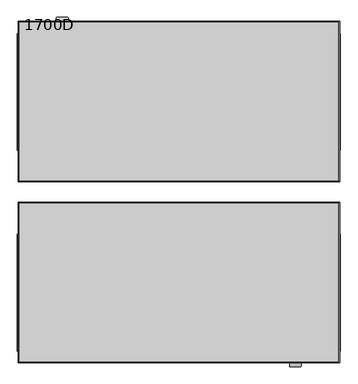
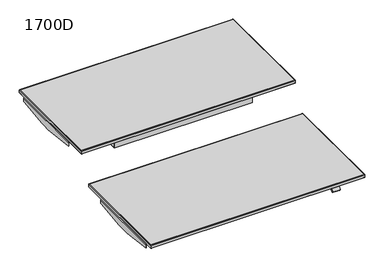
"""IFC4 building model written with IfcOpenShell, lengths in millimetres: furniture geometry, 1700D."""

from ifc_helpers import new_model, si_unit, frame, origin, place, context, project, spatial, polyline, circle_curve, ellipse_curve, outline, extrude, faceted_brep, source, transform, mapped, element, save
from ifc_brep_helpers import plane_surface, cylinder_surface, revolved_surface, advanced_brep


def furniture_1700d_6d03fefe(model_context):
    return source(origin(), model_context, "Body", "SolidModel", [
        advanced_brep(
        [(800.0009304, 50.0, 962.0613719), (800.0009304, 850.0, 962.0613719), (796.9557784, 846.954848, 964.998648), (796.9557784, 53.045152, 964.998648), (800.0009304, 50.0, 942.9891625), (800.0009304, 850.0, 942.9891625), (796.9557784, 53.045152, 940.0005151), (796.9557784, 846.954848, 940.0005151), (-800.0009304, 850.0, 962.0613719), (-796.9557784, 846.954848, 964.998648), (-800.0009304, 850.0, 942.9891625), (-796.9557784, 846.954848, 940.0005151), (-800.0009304, 50.0, 962.0613719), (-796.9557784, 53.045152, 964.998648), (-800.0009304, 50.0, 942.9891625), (-796.9557784, 53.045152, 940.0005151)],
        [
            (0, 1),
            (1, 2, ellipse_curve(frame((797.0617436, 847.0608132, 962.0613719), z_axis=(0.7071067811865475, -0.7071067811865475, 0.0), x_axis=(-0.7071067811865474, -0.7071067811865476, 0.0)), 4.1566379, 2.9391868)),
            (2, 3),
            (3, 0, ellipse_curve(frame((797.0617436, 52.9391868, 962.0613719), z_axis=(0.7071067811865475, 0.7071067811865475, 0.0), x_axis=(0.7071067811865474, -0.7071067811865476, 0.0)), 4.1566379, 2.9391868)),
            (4, 5),
            (5, 1),
            (0, 4),
            (6, 7),
            (7, 5, ellipse_curve(frame((797.0117587, 847.0108283, 942.9891625), z_axis=(0.7071067811865475, -0.7071067811865475, 0.0), x_axis=(-0.7071067811865474, -0.7071067811865476, 0.0)), 4.2273271, 2.9891717)),
            (4, 6, ellipse_curve(frame((797.0117587, 52.9891717, 942.9891625), z_axis=(0.7071067811865475, 0.7071067811865475, 0.0), x_axis=(0.7071067811865474, -0.7071067811865476, 0.0)), 4.2273271, 2.9891717)),
            (2, 7),
            (6, 3),
            (1, 8),
            (8, 9, ellipse_curve(frame((-797.0617436, 847.0608132, 962.0613719), z_axis=(0.7071067811865475, 0.7071067811865475, 0.0), x_axis=(0.7071067811865476, -0.7071067811865474, 0.0)), 4.1566379, 2.9391868)),
            (9, 2),
            (5, 10),
            (10, 8),
            (7, 11),
            (11, 10, ellipse_curve(frame((-797.0117587, 847.0108283, 942.9891625), z_axis=(0.7071067811865475, 0.7071067811865475, 0.0), x_axis=(0.7071067811865476, -0.7071067811865474, 0.0)), 4.2273271, 2.9891717)),
            (9, 11),
            (8, 12),
            (12, 13, ellipse_curve(frame((-797.0617436, 52.9391868, 962.0613719), z_axis=(-0.7071067811865475, 0.7071067811865475, 0.0), x_axis=(0.7071067811865474, 0.7071067811865476, 0.0)), 4.1566379, 2.9391868)),
            (13, 9),
            (10, 14),
            (14, 12),
            (11, 15),
            (15, 14, ellipse_curve(frame((-797.0117587, 52.9891717, 942.9891625), z_axis=(-0.7071067811865475, 0.7071067811865475, 0.0), x_axis=(0.7071067811865474, 0.7071067811865476, 0.0)), 4.2273271, 2.9891717)),
            (13, 15),
            (12, 0),
            (3, 13),
            (14, 4),
            (15, 6),
        ],
        [
            cylinder_surface(frame((797.0617436, 53.045152, 962.0613719), z_axis=(0.0, -1.0, 0.0), x_axis=(1.0, 0.0, 0.0)), 2.9391868),
            plane_surface(frame((800.0009304, 50.0, 962.0613719), z_axis=(1.0, 0.0, 0.0), x_axis=(0.0, 1.0, 0.0))),
            cylinder_surface(frame((797.0117587, 53.045152, 942.9891625), z_axis=(0.0, -1.0, 0.0), x_axis=(1.0, 0.0, 0.0)), 2.9891717),
            plane_surface(frame((796.9557784, 53.045152, 940.0005151), z_axis=(-1.0, 0.0, 0.0), x_axis=(0.0, 1.0, 0.0))),
            cylinder_surface(frame((796.9557784, 847.0608132, 962.0613719), z_axis=(1.0, 0.0, 0.0), x_axis=(0.0, 1.0, 0.0)), 2.9391868),
            plane_surface(frame((800.0009304, 850.0, 962.0613719), z_axis=(0.0, 1.0, 0.0), x_axis=(-1.0, 0.0, 0.0))),
            cylinder_surface(frame((796.9557784, 847.0108283, 942.9891625), z_axis=(1.0, 0.0, 0.0), x_axis=(0.0, 1.0, 0.0)), 2.9891717),
            plane_surface(frame((796.9557784, 846.954848, 940.0005151), z_axis=(0.0, -1.0, 0.0), x_axis=(-1.0, 0.0, 0.0))),
            cylinder_surface(frame((-797.0617436, 846.954848, 962.0613719), z_axis=(0.0, 1.0, 0.0), x_axis=(-1.0, 0.0, 0.0)), 2.9391868),
            plane_surface(frame((-800.0009304, 850.0, 962.0613719), z_axis=(-1.0, 0.0, 0.0), x_axis=(0.0, -1.0, 0.0))),
            cylinder_surface(frame((-797.0117587, 846.954848, 942.9891625), z_axis=(0.0, 1.0, 0.0), x_axis=(-1.0, 0.0, 0.0)), 2.9891717),
            plane_surface(frame((-796.9557784, 846.954848, 940.0005151), z_axis=(1.0, 0.0, 0.0), x_axis=(0.0, -1.0, 0.0))),
            cylinder_surface(frame((-796.9557784, 52.9391868, 962.0613719), z_axis=(-1.0, 0.0, 0.0), x_axis=(0.0, -1.0, 0.0)), 2.9391868),
            plane_surface(frame((-800.0009304, 50.0, 962.0613719), z_axis=(0.0, -1.0, 0.0), x_axis=(1.0, 0.0, 0.0))),
            cylinder_surface(frame((-796.9557784, 52.9891717, 942.9891625), z_axis=(-1.0, 0.0, 0.0), x_axis=(0.0, -1.0, 0.0)), 2.9891717),
            plane_surface(frame((-796.9557784, 53.045152, 940.0005151), z_axis=(0.0, 1.0, 0.0), x_axis=(1.0, 0.0, 0.0))),
        ],
        [
            (0, [[1, 2, 3, 4]]),
            (1, [[5, 6, -1, 7]]),
            (2, [[8, 9, -5, 10]]),
            (3, [[-3, 11, -8, 12]]),
            (4, [[13, 14, 15, -2]]),
            (5, [[16, 17, -13, -6]]),
            (6, [[18, 19, -16, -9]]),
            (7, [[-15, 20, -18, -11]]),
            (8, [[21, 22, 23, -14]]),
            (9, [[24, 25, -21, -17]]),
            (10, [[26, 27, -24, -19]]),
            (11, [[-23, 28, -26, -20]]),
            (12, [[29, -4, 30, -22]]),
            (13, [[31, -7, -29, -25]]),
            (14, [[32, -10, -31, -27]]),
            (15, [[-30, -12, -32, -28]]),
        ],
    ),
        extrude(outline(polyline([(-796.9557784, 53.045152), (-796.9557784, 846.954848), (796.9557784, 846.954848), (796.9557784, 53.045152), (-796.9557784, 53.045152)])), frame((0.0, 0.0, 940.0), z_axis=(0.0, 0.0, 1.0), x_axis=(1.0, 0.0, 0.0)), (0.0, 0.0, 1.0), 25.0),
        advanced_brep(
        [(800.0009304, -50.0, 762.0613719), (796.9557784, -53.045152, 764.998648), (796.9557784, -846.954848, 764.998648), (800.0009304, -850.0, 762.0613719), (800.0009304, -50.0, 742.9891625), (800.0009304, -850.0, 742.9891625), (796.9557784, -53.045152, 740.0005151), (796.9557784, -846.954848, 740.0005151), (-796.9557784, -846.954848, 764.998648), (-800.0009304, -850.0, 762.0613719), (-800.0009304, -850.0, 742.9891625), (-796.9557784, -846.954848, 740.0005151), (-796.9557784, -53.045152, 764.998648), (-800.0009304, -50.0, 762.0613719), (-800.0009304, -50.0, 742.9891625), (-796.9557784, -53.045152, 740.0005151)],
        [
            (0, 1, ellipse_curve(frame((797.0617436, -52.9391868, 762.0613719), z_axis=(0.7071067811865475, -0.7071067811865475, 0.0), x_axis=(0.7071067811865474, 0.7071067811865476, 0.0)), 4.1566379, 2.9391868)),
            (1, 2),
            (2, 3, ellipse_curve(frame((797.0617436, -847.0608132, 762.0613719), z_axis=(0.7071067811865475, 0.7071067811865475, 0.0), x_axis=(-0.7071067811865474, 0.7071067811865476, 0.0)), 4.1566379, 2.9391868)),
            (3, 0),
            (4, 0),
            (3, 5),
            (5, 4),
            (6, 4, ellipse_curve(frame((797.0117587, -52.9891717, 742.9891625), z_axis=(0.7071067811865475, -0.7071067811865475, 0.0), x_axis=(0.7071067811865474, 0.7071067811865476, 0.0)), 4.2273271, 2.9891717)),
            (5, 7, ellipse_curve(frame((797.0117587, -847.0108283, 742.9891625), z_axis=(0.7071067811865475, 0.7071067811865475, 0.0), x_axis=(-0.7071067811865474, 0.7071067811865476, 0.0)), 4.2273271, 2.9891717)),
            (7, 6),
            (1, 6),
            (7, 2),
            (2, 8),
            (8, 9, ellipse_curve(frame((-797.0617436, -847.0608132, 762.0613719), z_axis=(0.7071067811865475, -0.7071067811865475, 0.0), x_axis=(0.7071067811865476, 0.7071067811865474, 0.0)), 4.1566379, 2.9391868)),
            (9, 3),
            (9, 10),
            (10, 5),
            (10, 11, ellipse_curve(frame((-797.0117587, -847.0108283, 742.9891625), z_axis=(0.7071067811865475, -0.7071067811865475, 0.0), x_axis=(0.7071067811865476, 0.7071067811865474, 0.0)), 4.2273271, 2.9891717)),
            (11, 7),
            (11, 8),
            (8, 12),
            (12, 13, ellipse_curve(frame((-797.0617436, -52.9391868, 762.0613719), z_axis=(-0.7071067811865475, -0.7071067811865475, 0.0), x_axis=(0.7071067811865474, -0.7071067811865476, 0.0)), 4.1566379, 2.9391868)),
            (13, 9),
            (13, 14),
            (14, 10),
            (14, 15, ellipse_curve(frame((-797.0117587, -52.9891717, 742.9891625), z_axis=(-0.7071067811865475, -0.7071067811865475, 0.0), x_axis=(0.7071067811865474, -0.7071067811865476, 0.0)), 4.2273271, 2.9891717)),
            (15, 11),
            (15, 12),
            (12, 1),
            (0, 13),
            (4, 14),
            (6, 15),
        ],
        [
            cylinder_surface(frame((797.0617436, -53.045152, 762.0613719), z_axis=(0.0, 1.0, 0.0), x_axis=(1.0, 0.0, 0.0)), 2.9391868),
            plane_surface(frame((800.0009304, -50.0, 762.0613719), z_axis=(1.0, 0.0, 0.0), x_axis=(0.0, -1.0, 0.0))),
            cylinder_surface(frame((797.0117587, -53.045152, 742.9891625), z_axis=(0.0, 1.0, 0.0), x_axis=(1.0, 0.0, 0.0)), 2.9891717),
            plane_surface(frame((796.9557784, -53.045152, 740.0005151), z_axis=(-1.0, 0.0, 0.0), x_axis=(0.0, -1.0, 0.0))),
            cylinder_surface(frame((796.9557784, -847.0608132, 762.0613719), z_axis=(1.0, 0.0, 0.0), x_axis=(0.0, -1.0, 0.0)), 2.9391868),
            plane_surface(frame((800.0009304, -850.0, 762.0613719), z_axis=(0.0, -1.0, 0.0), x_axis=(-1.0, 0.0, 0.0))),
            cylinder_surface(frame((796.9557784, -847.0108283, 742.9891625), z_axis=(1.0, 0.0, 0.0), x_axis=(0.0, -1.0, 0.0)), 2.9891717),
            plane_surface(frame((796.9557784, -846.954848, 740.0005151), z_axis=(0.0, 1.0, 0.0), x_axis=(-1.0, 0.0, 0.0))),
            cylinder_surface(frame((-797.0617436, -846.954848, 762.0613719), z_axis=(0.0, -1.0, 0.0), x_axis=(-1.0, 0.0, 0.0)), 2.9391868),
            plane_surface(frame((-800.0009304, -850.0, 762.0613719), z_axis=(-1.0, 0.0, 0.0), x_axis=(0.0, 1.0, 0.0))),
            cylinder_surface(frame((-797.0117587, -846.954848, 742.9891625), z_axis=(0.0, -1.0, 0.0), x_axis=(-1.0, 0.0, 0.0)), 2.9891717),
            plane_surface(frame((-796.9557784, -846.954848, 740.0005151), z_axis=(1.0, 0.0, 0.0), x_axis=(0.0, 1.0, 0.0))),
            cylinder_surface(frame((-796.9557784, -52.9391868, 762.0613719), z_axis=(-1.0, 0.0, 0.0), x_axis=(0.0, 1.0, 0.0)), 2.9391868),
            plane_surface(frame((-800.0009304, -50.0, 762.0613719), z_axis=(0.0, 1.0, 0.0), x_axis=(1.0, 0.0, 0.0))),
            cylinder_surface(frame((-796.9557784, -52.9891717, 742.9891625), z_axis=(-1.0, 0.0, 0.0), x_axis=(0.0, 1.0, 0.0)), 2.9891717),
            plane_surface(frame((-796.9557784, -53.045152, 740.0005151), z_axis=(0.0, -1.0, 0.0), x_axis=(1.0, 0.0, 0.0))),
        ],
        [
            (0, [[1, 2, 3, 4]]),
            (1, [[5, -4, 6, 7]]),
            (2, [[8, -7, 9, 10]]),
            (3, [[11, -10, 12, -2]]),
            (4, [[-3, 13, 14, 15]]),
            (5, [[-6, -15, 16, 17]]),
            (6, [[-9, -17, 18, 19]]),
            (7, [[-12, -19, 20, -13]]),
            (8, [[-14, 21, 22, 23]]),
            (9, [[-16, -23, 24, 25]]),
            (10, [[-18, -25, 26, 27]]),
            (11, [[-20, -27, 28, -21]]),
            (12, [[-22, 29, -1, 30]]),
            (13, [[-24, -30, -5, 31]]),
            (14, [[-26, -31, -8, 32]]),
            (15, [[-28, -32, -11, -29]]),
        ],
    ),
        extrude(outline(polyline([(-796.9557784, -53.045152), (796.9557784, -53.045152), (796.9557784, -846.954848), (-796.9557784, -846.954848), (-796.9557784, -53.045152)])), frame((0.0, 0.0, 740.0), z_axis=(0.0, 0.0, 1.0), x_axis=(1.0, 0.0, 0.0)), (0.0, 0.0, 1.0), 25.0),
        advanced_brep(
        [(-800.0, 207.1918616, 935.0178669), (-797.9939209, 207.1918616, 937.0095331), (-785.6236012, 207.1918616, 937.0095331), (-785.6236012, 207.1918616, 940.0), (-797.8166554, 207.1918616, 940.0), (-802.810149, 207.1918616, 935.0178671), (-802.810149, 207.1918616, 910.4857859), (-800.0, 207.1918616, 910.4857859), (-802.810149, 787.3612827, 935.0178671), (-797.8166554, 787.3612827, 940.0), (-785.6236012, 787.3612827, 940.0), (-785.6236012, 787.3612827, 937.0095331), (-797.9939209, 787.3612827, 937.0095331), (-800.0, 787.3612827, 935.0178669), (-800.0, 787.3612827, 913.3375553), (-802.810149, 787.3612827, 913.3375553), (-802.810149, 462.7798688, 880.0637213), (-802.810149, 528.3480242, 880.0637213), (-800.0, 528.3480242, 880.0637213), (-800.0, 462.7798688, 880.0637213), (-800.0, 208.9210023, 910.055637), (-800.0, 444.1039468, 882.5295075), (-800.0, 547.0239462, 882.5295075), (-800.0, 782.2068907, 910.055637), (-802.810149, 782.2068907, 910.055637), (-802.810149, 547.0239462, 882.5295075), (-802.810149, 444.1039468, 882.5295075), (-802.810149, 208.9210023, 910.055637)],
        [
            (0, 1, circle_curve(frame((-798.008282, 207.1918616, 935.0178669), z_axis=(0.0, 1.0, 0.0), x_axis=(1.0, 0.0, 0.0)), 1.991718)),
            (1, 2),
            (2, 3),
            (3, 4),
            (4, 5, circle_curve(frame((-797.8280032, 207.1918616, 935.0178671), z_axis=(0.0, -1.0, 0.0), x_axis=(1.0, 0.0, 0.0)), 4.9821458)),
            (5, 6),
            (6, 7),
            (7, 0),
            (8, 9, circle_curve(frame((-797.8280032, 787.3612827, 935.0178671), z_axis=(0.0, 1.0, 0.0), x_axis=(1.0, 0.0, 0.0)), 4.9821458)),
            (9, 10),
            (10, 11),
            (11, 12),
            (12, 13, circle_curve(frame((-798.008282, 787.3612827, 935.0178669), z_axis=(0.0, -1.0, 0.0), x_axis=(1.0, 0.0, 0.0)), 1.991718)),
            (13, 14),
            (14, 15),
            (15, 8),
            (16, 17),
            (17, 18),
            (18, 19),
            (19, 16),
            (13, 0),
            (7, 20, circle_curve(frame((-800.0, 209.7367474, 917.0253543), z_axis=(1.0, 0.0, 0.0), x_axis=(0.0, 1.0, 0.0)), 7.0172929)),
            (20, 21),
            (21, 19, circle_curve(frame((-800.0, 495.5639465, 1200.3299079), z_axis=(1.0, 0.0, 0.0), x_axis=(0.0, 1.0, 0.0)), 321.9397864)),
            (18, 22, circle_curve(frame((-800.0, 495.5639465, 1200.3299079), z_axis=(1.0, 0.0, 0.0), x_axis=(0.0, 1.0, 0.0)), 321.9397864)),
            (22, 23),
            (23, 14, circle_curve(frame((-800.0, 781.3911456, 917.0253543), z_axis=(1.0, 0.0, 0.0), x_axis=(0.0, 1.0, 0.0)), 7.0172929)),
            (12, 1),
            (11, 2),
            (10, 3),
            (9, 4),
            (8, 5),
            (15, 24, circle_curve(frame((-802.810149, 781.3911456, 917.0253543), z_axis=(-1.0, 0.0, 0.0), x_axis=(0.0, 1.0, 0.0)), 7.0172929)),
            (24, 25),
            (25, 17, circle_curve(frame((-802.810149, 495.5639465, 1200.3299079), z_axis=(-1.0, 0.0, 0.0), x_axis=(0.0, 1.0, 0.0)), 321.9397864)),
            (16, 26, circle_curve(frame((-802.810149, 495.5639465, 1200.3299079), z_axis=(-1.0, 0.0, 0.0), x_axis=(0.0, 1.0, 0.0)), 321.9397864)),
            (26, 27),
            (27, 6, circle_curve(frame((-802.810149, 209.7367474, 917.0253543), z_axis=(-1.0, 0.0, 0.0), x_axis=(0.0, 1.0, 0.0)), 7.0172929)),
            (26, 21),
            (20, 27),
            (23, 24),
            (22, 25),
        ],
        [
            plane_surface(frame((-802.810149, 207.1918616, 880.0637213), z_axis=(0.0, -1.0, 0.0), x_axis=(1.0, 0.0, 0.0))),
            plane_surface(frame((-802.810149, 787.3612827, 880.0637213), z_axis=(0.0, 1.0, 0.0), x_axis=(-1.0, 0.0, 0.0))),
            plane_surface(frame((-802.810149, 207.1918616, 880.0637213), z_axis=(0.0, 0.0, -1.0), x_axis=(0.0, 1.0, 0.0))),
            plane_surface(frame((-800.0, 207.1918616, 880.0637213), z_axis=(1.0, 0.0, 0.0), x_axis=(0.0, 1.0, 0.0))),
            revolved_surface(polyline([(-796.016564, 787.3612827, 935.0178669), (-796.016564, 207.19186160000004, 935.0178669)]), (-798.008282, 787.3612827, 935.0178669), (0.0, 1.0, 0.0)),
            plane_surface(frame((-797.9939209, 207.1918616, 937.0095331), z_axis=(0.0, 0.0, -1.0), x_axis=(0.0, 1.0, 0.0))),
            plane_surface(frame((-785.6236012, 207.1918616, 937.0095331), z_axis=(1.0, 0.0, 0.0), x_axis=(0.0, 1.0, 0.0))),
            plane_surface(frame((-785.6236012, 207.1918616, 940.0), z_axis=(0.0, 0.0, 1.0), x_axis=(0.0, 1.0, 0.0))),
            cylinder_surface(frame((-797.8280032, 787.3612827, 935.0178671), z_axis=(0.0, -1.0, 0.0), x_axis=(1.0, 0.0, 0.0)), 4.9821458),
            plane_surface(frame((-802.810149, 207.1918616, 935.0178671), z_axis=(-1.0, 0.0, 0.0), x_axis=(0.0, 1.0, 0.0))),
            plane_surface(frame((-760.2190192, 444.1039468, 882.5295075), z_axis=(0.0, -0.11624783812558082, -0.9932202374756209), x_axis=(-1.0, 0.0, 0.0))),
            cylinder_surface(frame((-842.810149, 209.7367474, 917.0253543), z_axis=(-1.0, 0.0, 0.0), x_axis=(0.0, 1.0, 0.0)), 7.0172929),
            cylinder_surface(frame((-842.810149, 781.3911456, 917.0253543), z_axis=(-1.0, 0.0, 0.0), x_axis=(0.0, 1.0, 0.0)), 7.0172929),
            plane_surface(frame((-760.2190192, 782.2068907, 910.055637), z_axis=(0.0, 0.11624783812560882, -0.9932202374756177), x_axis=(-1.0, 0.0, 0.0))),
            cylinder_surface(frame((-842.810149, 495.5639465, 1200.3299079), z_axis=(-1.0, 0.0, 0.0), x_axis=(0.0, 1.0, 0.0)), 321.9397864),
        ],
        [
            (0, [[1, 2, 3, 4, 5, 6, 7, 8]]),
            (1, [[9, 10, 11, 12, 13, 14, 15, 16]]),
            (2, [[17, 18, 19, 20]]),
            (3, [[21, -8, 22, 23, 24, -19, 25, 26, 27, -14]]),
            (4, [[-1, -21, -13, 28]]),
            (5, [[-2, -28, -12, 29]]),
            (6, [[-3, -29, -11, 30]]),
            (7, [[-4, -30, -10, 31]]),
            (8, [[-5, -31, -9, 32]]),
            (9, [[-32, -16, 33, 34, 35, -17, 36, 37, 38, -6]]),
            (10, [[39, -23, 40, -37]]),
            (11, [[-40, -22, -7, -38]]),
            (12, [[41, -33, -15, -27]]),
            (13, [[-41, -26, 42, -34]]),
            (14, [[-39, -36, -20, -24]]),
            (14, [[-42, -25, -18, -35]]),
        ],
    ),
        advanced_brep(
        [(802.810149, 207.1918616, 935.0178673), (797.8166554, 207.1918616, 940.0000002), (785.6236012, 207.1918616, 940.0000002), (785.6236012, 207.1918616, 937.0095335), (797.9939209, 207.1918616, 937.0095335), (800.0, 207.1918616, 935.0178673), (800.0, 207.1918616, 910.4857859), (802.810149, 207.1918616, 910.4857859), (800.0, 787.3612827, 935.0178673), (797.9939209, 787.3612827, 937.0095335), (785.6236012, 787.3612827, 937.0095335), (785.6236012, 787.3612827, 940.0000002), (797.8166554, 787.3612827, 940.0000002), (802.810149, 787.3612827, 935.0178673), (802.810149, 787.3612827, 913.3375553), (800.0, 787.3612827, 913.3375553), (802.810149, 208.9210023, 910.055637), (802.810149, 444.1039468, 882.5295075), (802.810149, 462.7798651, 880.0637217), (802.810149, 528.3480279, 880.0637217), (802.810149, 547.0239462, 882.5295075), (802.810149, 782.2068907, 910.055637), (800.0, 782.2068907, 910.055637), (800.0, 547.0239462, 882.5295075), (800.0, 528.3480279, 880.0637217), (800.0, 462.7798651, 880.0637217), (800.0, 444.1039468, 882.5295075), (800.0, 208.9210023, 910.055637)],
        [
            (0, 1, circle_curve(frame((797.8280032, 207.1918616, 935.0178673), z_axis=(0.0, -1.0, 0.0), x_axis=(1.0, 0.0, 0.0)), 4.9821458)),
            (1, 2),
            (2, 3),
            (3, 4),
            (4, 5, circle_curve(frame((798.008282, 207.1918616, 935.0178673), z_axis=(0.0, 1.0, 0.0), x_axis=(1.0, 0.0, 0.0)), 1.991718)),
            (5, 6),
            (6, 7),
            (7, 0),
            (8, 9, circle_curve(frame((798.008282, 787.3612827, 935.0178673), z_axis=(0.0, -1.0, 0.0), x_axis=(1.0, 0.0, 0.0)), 1.991718)),
            (9, 10),
            (10, 11),
            (11, 12),
            (12, 13, circle_curve(frame((797.8280032, 787.3612827, 935.0178673), z_axis=(0.0, 1.0, 0.0), x_axis=(1.0, 0.0, 0.0)), 4.9821458)),
            (13, 14),
            (14, 15),
            (15, 8),
            (13, 0),
            (7, 16, circle_curve(frame((802.810149, 209.7367474, 917.0253543), z_axis=(1.0, 0.0, 0.0), x_axis=(0.0, 1.0, 0.0)), 7.0172929)),
            (16, 17),
            (17, 18, circle_curve(frame((802.810149, 495.5639465, 1200.3299079), z_axis=(1.0, 0.0, 0.0), x_axis=(0.0, 1.0, 0.0)), 321.9397864)),
            (18, 19),
            (19, 20, circle_curve(frame((802.810149, 495.5639465, 1200.3299079), z_axis=(1.0, 0.0, 0.0), x_axis=(0.0, 1.0, 0.0)), 321.9397864)),
            (20, 21),
            (21, 14, circle_curve(frame((802.810149, 781.3911456, 917.0253543), z_axis=(1.0, 0.0, 0.0), x_axis=(0.0, 1.0, 0.0)), 7.0172929)),
            (12, 1),
            (11, 2),
            (10, 3),
            (9, 4),
            (8, 5),
            (15, 22, circle_curve(frame((800.0, 781.3911456, 917.0253543), z_axis=(-1.0, 0.0, 0.0), x_axis=(0.0, 1.0, 0.0)), 7.0172929)),
            (22, 23),
            (23, 24, circle_curve(frame((800.0, 495.5639465, 1200.3299079), z_axis=(-1.0, 0.0, 0.0), x_axis=(0.0, 1.0, 0.0)), 321.9397864)),
            (24, 25),
            (25, 26, circle_curve(frame((800.0, 495.5639465, 1200.3299079), z_axis=(-1.0, 0.0, 0.0), x_axis=(0.0, 1.0, 0.0)), 321.9397864)),
            (26, 27),
            (27, 6, circle_curve(frame((800.0, 209.7367474, 917.0253543), z_axis=(-1.0, 0.0, 0.0), x_axis=(0.0, 1.0, 0.0)), 7.0172929)),
            (18, 25),
            (24, 19),
            (16, 27),
            (26, 17),
            (21, 22),
            (20, 23),
        ],
        [
            plane_surface(frame((-802.810149, 207.1918616, 880.0637213), z_axis=(0.0, -1.0, 0.0), x_axis=(1.0, 0.0, 0.0))),
            plane_surface(frame((-802.810149, 787.3612827, 880.0637213), z_axis=(0.0, 1.0, 0.0), x_axis=(-1.0, 0.0, 0.0))),
            plane_surface(frame((802.810149, 207.1918616, 880.0637217), z_axis=(1.0, 0.0, 0.0), x_axis=(0.0, 1.0, 0.0))),
            cylinder_surface(frame((797.8280032, 499.2554852, 935.0178673), z_axis=(0.0, -1.0, 0.0), x_axis=(1.0, 0.0, 0.0)), 4.9821458),
            plane_surface(frame((797.8166554, 207.1918616, 940.0000002), z_axis=(0.0, 0.0, 1.0), x_axis=(0.0, 1.0, 0.0))),
            plane_surface(frame((785.6236012, 207.1918616, 940.0000002), z_axis=(-1.0, 0.0, 0.0), x_axis=(0.0, 1.0, 0.0))),
            plane_surface(frame((785.6236012, 207.1918616, 937.0095335), z_axis=(4.311222937071998e-12, 0.0, -1.0), x_axis=(0.0, 1.0, 0.0))),
            revolved_surface(polyline([(800.0, 787.3612827, 935.0178673), (800.0, 207.19186159999998, 935.0178673)]), (798.008282, 499.2554852, 935.0178673), (0.0, 1.0, 0.0)),
            plane_surface(frame((800.0, 207.1918616, 935.0178673), z_axis=(-1.0, 0.0, 0.0), x_axis=(0.0, 1.0, 0.0))),
            plane_surface(frame((800.0, 207.1918616, 880.0637217), z_axis=(0.0, 0.0, -1.0), x_axis=(0.0, 1.0, 0.0))),
            plane_surface(frame((760.2190192, 208.9210023, 910.055637), z_axis=(0.0, -0.11624783812565094, -0.9932202374756127), x_axis=(1.0, 0.0, 0.0))),
            cylinder_surface(frame((842.810149, 209.7367474, 917.0253543), z_axis=(1.0, 0.0, 0.0), x_axis=(0.0, 1.0, 0.0)), 7.0172929),
            cylinder_surface(frame((842.810149, 781.3911456, 917.0253543), z_axis=(1.0, 0.0, 0.0), x_axis=(0.0, 1.0, 0.0)), 7.0172929),
            plane_surface(frame((760.2190192, 547.0239462, 882.5295075), z_axis=(0.0, 0.11624783812560656, -0.9932202374756179), x_axis=(1.0, 0.0, 0.0))),
            cylinder_surface(frame((842.810149, 495.5639465, 1200.3299079), z_axis=(1.0, 0.0, 0.0), x_axis=(0.0, 1.0, 0.0)), 321.9397864),
        ],
        [
            (0, [[1, 2, 3, 4, 5, 6, 7, 8]]),
            (1, [[9, 10, 11, 12, 13, 14, 15, 16]]),
            (2, [[17, -8, 18, 19, 20, 21, 22, 23, 24, -14]]),
            (3, [[-1, -17, -13, 25]]),
            (4, [[-2, -25, -12, 26]]),
            (5, [[-3, -26, -11, 27]]),
            (6, [[-4, -27, -10, 28]]),
            (7, [[-5, -28, -9, 29]]),
            (8, [[-29, -16, 30, 31, 32, 33, 34, 35, 36, -6]]),
            (9, [[-21, 37, -33, 38]]),
            (10, [[39, -35, 40, -19]]),
            (11, [[-39, -18, -7, -36]]),
            (12, [[41, -30, -15, -24]]),
            (13, [[-41, -23, 42, -31]]),
            (14, [[-42, -22, -38, -32]]),
            (14, [[-40, -34, -37, -20]]),
        ],
    ),
        advanced_brep(
        [(-800.0, -791.3191087, 735.0178669), (-797.9939209, -791.3191087, 737.0095331), (-785.6236012, -791.3191087, 737.0095331), (-785.6236012, -791.3191087, 740.0), (-797.8166554, -791.3191087, 740.0), (-802.810149, -791.3191087, 735.0178671), (-802.810149, -791.3191087, 710.4857859), (-800.0, -791.3191087, 710.4857859), (-802.810149, -211.1496876, 735.0178671), (-797.8166554, -211.1496876, 740.0), (-785.6236012, -211.1496876, 740.0), (-785.6236012, -211.1496876, 737.0095331), (-797.9939209, -211.1496876, 737.0095331), (-800.0, -211.1496876, 735.0178669), (-800.0, -211.1496876, 713.3375553), (-802.810149, -211.1496876, 713.3375553), (-802.810149, -535.7311015, 680.0637213), (-802.810149, -470.1629461, 680.0637213), (-800.0, -470.1629461, 680.0637213), (-800.0, -535.7311015, 680.0637213), (-800.0, -789.589968, 710.055637), (-800.0, -554.4070235, 682.5295075), (-800.0, -451.4870241, 682.5295075), (-800.0, -216.3040796, 710.055637), (-802.810149, -216.3040796, 710.055637), (-802.810149, -451.4870241, 682.5295075), (-802.810149, -554.4070235, 682.5295075), (-802.810149, -789.589968, 710.055637)],
        [
            (0, 1, circle_curve(frame((-798.008282, -791.3191087, 735.0178669), z_axis=(0.0, 1.0, 0.0), x_axis=(1.0, 0.0, 0.0)), 1.991718)),
            (1, 2),
            (2, 3),
            (3, 4),
            (4, 5, circle_curve(frame((-797.8280032, -791.3191087, 735.0178671), z_axis=(0.0, -1.0, 0.0), x_axis=(1.0, 0.0, 0.0)), 4.9821458)),
            (5, 6),
            (6, 7),
            (7, 0),
            (8, 9, circle_curve(frame((-797.8280032, -211.1496876, 735.0178671), z_axis=(0.0, 1.0, 0.0), x_axis=(1.0, 0.0, 0.0)), 4.9821458)),
            (9, 10),
            (10, 11),
            (11, 12),
            (12, 13, circle_curve(frame((-798.008282, -211.1496876, 735.0178669), z_axis=(0.0, -1.0, 0.0), x_axis=(1.0, 0.0, 0.0)), 1.991718)),
            (13, 14),
            (14, 15),
            (15, 8),
            (16, 17),
            (17, 18),
            (18, 19),
            (19, 16),
            (13, 0),
            (7, 20, circle_curve(frame((-800.0, -788.7742229, 717.0253543), z_axis=(1.0, 0.0, 0.0), x_axis=(0.0, 1.0, 0.0)), 7.0172929)),
            (20, 21),
            (21, 19, circle_curve(frame((-800.0, -502.9470238, 1000.3299079), z_axis=(1.0, 0.0, 0.0), x_axis=(0.0, 1.0, 0.0)), 321.9397864)),
            (18, 22, circle_curve(frame((-800.0, -502.9470238, 1000.3299079), z_axis=(1.0, 0.0, 0.0), x_axis=(0.0, 1.0, 0.0)), 321.9397864)),
            (22, 23),
            (23, 14, circle_curve(frame((-800.0, -217.1198247, 717.0253543), z_axis=(1.0, 0.0, 0.0), x_axis=(0.0, 1.0, 0.0)), 7.0172929)),
            (12, 1),
            (11, 2),
            (10, 3),
            (9, 4),
            (8, 5),
            (15, 24, circle_curve(frame((-802.810149, -217.1198247, 717.0253543), z_axis=(-1.0, 0.0, 0.0), x_axis=(0.0, 1.0, 0.0)), 7.0172929)),
            (24, 25),
            (25, 17, circle_curve(frame((-802.810149, -502.9470238, 1000.3299079), z_axis=(-1.0, 0.0, 0.0), x_axis=(0.0, 1.0, 0.0)), 321.9397864)),
            (16, 26, circle_curve(frame((-802.810149, -502.9470238, 1000.3299079), z_axis=(-1.0, 0.0, 0.0), x_axis=(0.0, 1.0, 0.0)), 321.9397864)),
            (26, 27),
            (27, 6, circle_curve(frame((-802.810149, -788.7742229, 717.0253543), z_axis=(-1.0, 0.0, 0.0), x_axis=(0.0, 1.0, 0.0)), 7.0172929)),
            (26, 21),
            (20, 27),
            (23, 24),
            (22, 25),
        ],
        [
            plane_surface(frame((-802.810149, -791.3191087, 680.0637213), z_axis=(0.0, -1.0, 0.0), x_axis=(1.0, 0.0, 0.0))),
            plane_surface(frame((-802.810149, -211.1496876, 680.0637213), z_axis=(0.0, 1.0, 0.0), x_axis=(-1.0, 0.0, 0.0))),
            plane_surface(frame((-802.810149, -791.3191087, 680.0637213), z_axis=(0.0, 0.0, -1.0), x_axis=(0.0, 1.0, 0.0))),
            plane_surface(frame((-800.0, -791.3191087, 680.0637213), z_axis=(1.0, 0.0, 0.0), x_axis=(0.0, 1.0, 0.0))),
            revolved_surface(polyline([(-796.016564, -211.1496876, 735.0178669), (-796.016564, -791.3191087, 735.0178669)]), (-798.008282, -211.1496876, 735.0178669), (0.0, 1.0, 0.0)),
            plane_surface(frame((-797.9939209, -791.3191087, 737.0095331), z_axis=(0.0, 0.0, -1.0), x_axis=(0.0, 1.0, 0.0))),
            plane_surface(frame((-785.6236012, -791.3191087, 737.0095331), z_axis=(1.0, 0.0, 0.0), x_axis=(0.0, 1.0, 0.0))),
            plane_surface(frame((-785.6236012, -791.3191087, 740.0), z_axis=(0.0, 0.0, 1.0), x_axis=(0.0, 1.0, 0.0))),
            cylinder_surface(frame((-797.8280032, -211.1496876, 735.0178671), z_axis=(0.0, -1.0, 0.0), x_axis=(1.0, 0.0, 0.0)), 4.9821458),
            plane_surface(frame((-802.810149, -791.3191087, 735.0178671), z_axis=(-1.0, 0.0, 0.0), x_axis=(0.0, 1.0, 0.0))),
            plane_surface(frame((-760.2190192, -554.4070235, 682.5295075), z_axis=(0.0, -0.11624783812557968, -0.993220237475621), x_axis=(-1.0, 0.0, 0.0))),
            cylinder_surface(frame((-842.810149, -788.7742229, 717.0253543), z_axis=(-1.0, 0.0, 0.0), x_axis=(0.0, 1.0, 0.0)), 7.0172929),
            cylinder_surface(frame((-842.810149, -217.1198247, 717.0253543), z_axis=(-1.0, 0.0, 0.0), x_axis=(0.0, 1.0, 0.0)), 7.0172929),
            plane_surface(frame((-760.2190192, -216.3040796, 710.055637), z_axis=(0.0, 0.11624783812560882, -0.9932202374756177), x_axis=(-1.0, 0.0, 0.0))),
            cylinder_surface(frame((-842.810149, -502.9470238, 1000.3299079), z_axis=(-1.0, 0.0, 0.0), x_axis=(0.0, 1.0, 0.0)), 321.9397864),
        ],
        [
            (0, [[1, 2, 3, 4, 5, 6, 7, 8]]),
            (1, [[9, 10, 11, 12, 13, 14, 15, 16]]),
            (2, [[17, 18, 19, 20]]),
            (3, [[21, -8, 22, 23, 24, -19, 25, 26, 27, -14]]),
            (4, [[-1, -21, -13, 28]]),
            (5, [[-2, -28, -12, 29]]),
            (6, [[-3, -29, -11, 30]]),
            (7, [[-4, -30, -10, 31]]),
            (8, [[-5, -31, -9, 32]]),
            (9, [[-32, -16, 33, 34, 35, -17, 36, 37, 38, -6]]),
            (10, [[39, -23, 40, -37]]),
            (11, [[-40, -22, -7, -38]]),
            (12, [[41, -33, -15, -27]]),
            (13, [[-41, -26, 42, -34]]),
            (14, [[-39, -36, -20, -24]]),
            (14, [[-42, -25, -18, -35]]),
        ],
    ),
        advanced_brep(
        [(802.810149, -791.3191087, 735.0178673), (797.8166554, -791.3191087, 740.0000002), (785.6236012, -791.3191087, 740.0000002), (785.6236012, -791.3191087, 737.0095335), (797.9939209, -791.3191087, 737.0095335), (800.0, -791.3191087, 735.0178673), (800.0, -791.3191087, 710.4857859), (802.810149, -791.3191087, 710.4857859), (800.0, -211.1496876, 735.0178673), (797.9939209, -211.1496876, 737.0095335), (785.6236012, -211.1496876, 737.0095335), (785.6236012, -211.1496876, 740.0000002), (797.8166554, -211.1496876, 740.0000002), (802.810149, -211.1496876, 735.0178673), (802.810149, -211.1496876, 713.3375553), (800.0, -211.1496876, 713.3375553), (802.810149, -789.589968, 710.055637), (802.810149, -554.4070235, 682.5295075), (802.810149, -535.7311052, 680.0637217), (802.810149, -470.1629424, 680.0637217), (802.810149, -451.4870241, 682.5295075), (802.810149, -216.3040796, 710.055637), (800.0, -216.3040796, 710.055637), (800.0, -451.4870241, 682.5295075), (800.0, -470.1629424, 680.0637217), (800.0, -535.7311052, 680.0637217), (800.0, -554.4070235, 682.5295075), (800.0, -789.589968, 710.055637)],
        [
            (0, 1, circle_curve(frame((797.8280032, -791.3191087, 735.0178673), z_axis=(0.0, -1.0, 0.0), x_axis=(1.0, 0.0, 0.0)), 4.9821458)),
            (1, 2),
            (2, 3),
            (3, 4),
            (4, 5, circle_curve(frame((798.008282, -791.3191087, 735.0178673), z_axis=(0.0, 1.0, 0.0), x_axis=(1.0, 0.0, 0.0)), 1.991718)),
            (5, 6),
            (6, 7),
            (7, 0),
            (8, 9, circle_curve(frame((798.008282, -211.1496876, 735.0178673), z_axis=(0.0, -1.0, 0.0), x_axis=(1.0, 0.0, 0.0)), 1.991718)),
            (9, 10),
            (10, 11),
            (11, 12),
            (12, 13, circle_curve(frame((797.8280032, -211.1496876, 735.0178673), z_axis=(0.0, 1.0, 0.0), x_axis=(1.0, 0.0, 0.0)), 4.9821458)),
            (13, 14),
            (14, 15),
            (15, 8),
            (13, 0),
            (7, 16, circle_curve(frame((802.810149, -788.7742229, 717.0253543), z_axis=(1.0, 0.0, 0.0), x_axis=(0.0, 1.0, 0.0)), 7.0172929)),
            (16, 17),
            (17, 18, circle_curve(frame((802.810149, -502.9470238, 1000.3299079), z_axis=(1.0, 0.0, 0.0), x_axis=(0.0, 1.0, 0.0)), 321.9397864)),
            (18, 19),
            (19, 20, circle_curve(frame((802.810149, -502.9470238, 1000.3299079), z_axis=(1.0, 0.0, 0.0), x_axis=(0.0, 1.0, 0.0)), 321.9397864)),
            (20, 21),
            (21, 14, circle_curve(frame((802.810149, -217.1198247, 717.0253543), z_axis=(1.0, 0.0, 0.0), x_axis=(0.0, 1.0, 0.0)), 7.0172929)),
            (12, 1),
            (11, 2),
            (10, 3),
            (9, 4),
            (8, 5),
            (15, 22, circle_curve(frame((800.0, -217.1198247, 717.0253543), z_axis=(-1.0, 0.0, 0.0), x_axis=(0.0, 1.0, 0.0)), 7.0172929)),
            (22, 23),
            (23, 24, circle_curve(frame((800.0, -502.9470238, 1000.3299079), z_axis=(-1.0, 0.0, 0.0), x_axis=(0.0, 1.0, 0.0)), 321.9397864)),
            (24, 25),
            (25, 26, circle_curve(frame((800.0, -502.9470238, 1000.3299079), z_axis=(-1.0, 0.0, 0.0), x_axis=(0.0, 1.0, 0.0)), 321.9397864)),
            (26, 27),
            (27, 6, circle_curve(frame((800.0, -788.7742229, 717.0253543), z_axis=(-1.0, 0.0, 0.0), x_axis=(0.0, 1.0, 0.0)), 7.0172929)),
            (18, 25),
            (24, 19),
            (16, 27),
            (26, 17),
            (21, 22),
            (20, 23),
        ],
        [
            plane_surface(frame((-802.810149, -791.3191087, 680.0637213), z_axis=(0.0, -1.0, 0.0), x_axis=(1.0, 0.0, 0.0))),
            plane_surface(frame((-802.810149, -211.1496876, 680.0637213), z_axis=(0.0, 1.0, 0.0), x_axis=(-1.0, 0.0, 0.0))),
            plane_surface(frame((802.810149, -791.3191087, 680.0637217), z_axis=(1.0, 0.0, 0.0), x_axis=(0.0, 1.0, 0.0))),
            cylinder_surface(frame((797.8280032, -499.2554852, 735.0178673), z_axis=(0.0, -1.0, 0.0), x_axis=(1.0, 0.0, 0.0)), 4.9821458),
            plane_surface(frame((797.8166554, -791.3191087, 740.0000002), z_axis=(0.0, 0.0, 1.0), x_axis=(0.0, 1.0, 0.0))),
            plane_surface(frame((785.6236012, -791.3191087, 740.0000002), z_axis=(-1.0, 0.0, 0.0), x_axis=(0.0, 1.0, 0.0))),
            plane_surface(frame((785.6236012, -791.3191087, 737.0095335), z_axis=(4.311222937071998e-12, 0.0, -1.0), x_axis=(0.0, 1.0, 0.0))),
            revolved_surface(polyline([(800.0, -211.1496876, 735.0178673), (800.0, -791.3191087, 735.0178673)]), (798.008282, -499.2554852, 735.0178673), (0.0, 1.0, 0.0)),
            plane_surface(frame((800.0, -791.3191087, 735.0178673), z_axis=(-1.0, 0.0, 0.0), x_axis=(0.0, 1.0, 0.0))),
            plane_surface(frame((800.0, -791.3191087, 680.0637217), z_axis=(0.0, 0.0, -1.0), x_axis=(0.0, 1.0, 0.0))),
            plane_surface(frame((760.2190192, -789.589968, 710.055637), z_axis=(0.0, -0.11624783812564982, -0.9932202374756128), x_axis=(1.0, 0.0, 0.0))),
            cylinder_surface(frame((842.810149, -788.7742229, 717.0253543), z_axis=(1.0, 0.0, 0.0), x_axis=(0.0, 1.0, 0.0)), 7.0172929),
            cylinder_surface(frame((842.810149, -217.1198247, 717.0253543), z_axis=(1.0, 0.0, 0.0), x_axis=(0.0, 1.0, 0.0)), 7.0172929),
            plane_surface(frame((760.2190192, -451.4870241, 682.5295075), z_axis=(0.0, 0.11624783812560656, -0.9932202374756179), x_axis=(1.0, 0.0, 0.0))),
            cylinder_surface(frame((842.810149, -502.9470238, 1000.3299079), z_axis=(1.0, 0.0, 0.0), x_axis=(0.0, 1.0, 0.0)), 321.9397864),
        ],
        [
            (0, [[1, 2, 3, 4, 5, 6, 7, 8]]),
            (1, [[9, 10, 11, 12, 13, 14, 15, 16]]),
            (2, [[17, -8, 18, 19, 20, 21, 22, 23, 24, -14]]),
            (3, [[-1, -17, -13, 25]]),
            (4, [[-2, -25, -12, 26]]),
            (5, [[-3, -26, -11, 27]]),
            (6, [[-4, -27, -10, 28]]),
            (7, [[-5, -28, -9, 29]]),
            (8, [[-29, -16, 30, 31, 32, 33, 34, 35, 36, -6]]),
            (9, [[-21, 37, -33, 38]]),
            (10, [[39, -35, 40, -19]]),
            (11, [[-39, -18, -7, -36]]),
            (12, [[41, -30, -15, -24]]),
            (13, [[-41, -23, 42, -31]]),
            (14, [[-42, -22, -38, -32]]),
            (14, [[-40, -34, -37, -20]]),
        ],
    ),
        faceted_brep([(516.362651, 113.2554852, 940.0), (516.362651, 113.2554852, 849.9906671), (516.362651, 331.2561321, 849.9906671), (516.362651, 331.2561321, 940.0), (516.362651, 330.2437908, 940.0), (516.362651, 330.2437908, 851.0128807), (516.362651, 114.2717022, 851.0128807), (516.362651, 114.2717022, 940.0), (-516.362651, 113.2554852, 940.0), (-516.362651, 114.2717022, 940.0), (-516.362651, 114.2717022, 851.0128807), (-516.362651, 330.2437908, 851.0128807), (-516.362651, 330.2437908, 940.0), (-516.362651, 331.2561321, 940.0), (-516.362651, 331.2561321, 849.9906671), (-516.362651, 113.2554852, 849.9906671), (-405.0, 227.8454312, 851.0128807), (-405.0, 291.7376553, 851.0128807), (-320.9539673, 291.7376553, 851.0128807), (-320.9539673, 227.8454312, 851.0128807), (323.0166892, 227.8454312, 851.0128807), (323.0166892, 291.7365071, 851.0128807), (407.062722, 291.7365071, 851.0128807), (407.062722, 227.8454312, 851.0128807), (-320.9539673, 227.8454312, 849.9906671), (-320.9539673, 291.7376553, 849.9906671), (-405.0, 291.7376553, 849.9906671), (-405.0, 227.8454312, 849.9906671), (407.062722, 227.8454312, 849.9906671), (407.062722, 291.7365071, 849.9906671), (323.0166892, 291.7365071, 849.9906671), (323.0166892, 227.8454312, 849.9906671)], [[[0, 1, 2, 3, 4, 5, 6, 7]], [[8, 9, 10, 11, 12, 13, 14, 15]], [[7, 9, 8, 0]], [[6, 10, 9, 7]], [[5, 11, 10, 6], [16, 17, 18, 19], [20, 21, 22, 23]], [[4, 12, 11, 5]], [[3, 13, 12, 4]], [[2, 14, 13, 3]], [[1, 15, 14, 2], [24, 25, 26, 27], [28, 29, 30, 31]], [[0, 8, 15, 1]], [[24, 27, 16, 19]], [[27, 26, 17, 16]], [[26, 25, 18, 17]], [[19, 18, 25, 24]], [[28, 31, 20, 23]], [[31, 30, 21, 20]], [[30, 29, 22, 21]], [[23, 22, 29, 28]]]),
        faceted_brep([(516.362651, -113.2554852, 740.0), (516.362651, -114.2717022, 740.0), (516.362651, -114.2717022, 651.0128807), (516.362651, -330.2437908, 651.0128807), (516.362651, -330.2437908, 740.0), (516.362651, -331.2561321, 740.0), (516.362651, -331.2561321, 649.9906671), (516.362651, -113.2554852, 649.9906671), (-516.362651, -113.2554852, 740.0), (-516.362651, -113.2554852, 649.9906671), (-516.362651, -331.2561321, 649.9906671), (-516.362651, -331.2561321, 740.0), (-516.362651, -330.2437908, 740.0), (-516.362651, -330.2437908, 651.0128807), (-516.362651, -114.2717022, 651.0128807), (-516.362651, -114.2717022, 740.0), (-405.0, -227.8454312, 651.0128807), (-320.9539673, -227.8454312, 651.0128807), (-320.9539673, -291.7376553, 651.0128807), (-405.0, -291.7376553, 651.0128807), (323.0166892, -227.8454312, 651.0128807), (407.062722, -227.8454312, 651.0128807), (407.062722, -291.7365071, 651.0128807), (323.0166892, -291.7365071, 651.0128807), (-320.9539673, -227.8454312, 649.9906671), (-405.0, -227.8454312, 649.9906671), (-405.0, -291.7376553, 649.9906671), (-320.9539673, -291.7376553, 649.9906671), (407.062722, -227.8454312, 649.9906671), (323.0166892, -227.8454312, 649.9906671), (323.0166892, -291.7365071, 649.9906671), (407.062722, -291.7365071, 649.9906671)], [[[0, 1, 2, 3, 4, 5, 6, 7]], [[8, 9, 10, 11, 12, 13, 14, 15]], [[1, 0, 8, 15]], [[2, 1, 15, 14]], [[3, 2, 14, 13], [16, 17, 18, 19], [20, 21, 22, 23]], [[4, 3, 13, 12]], [[5, 4, 12, 11]], [[6, 5, 11, 10]], [[7, 6, 10, 9], [24, 25, 26, 27], [28, 29, 30, 31]], [[0, 7, 9, 8]], [[24, 17, 16, 25]], [[25, 16, 19, 26]], [[26, 19, 18, 27]], [[17, 24, 27, 18]], [[28, 21, 20, 29]], [[29, 20, 23, 30]], [[30, 23, 22, 31]], [[21, 28, 31, 22]]]),
        advanced_brep(
        [(-593.8943966, 818.0148563, 939.9306471), (-566.1053341, 818.0148563, 939.9306471), (-556.1053341, 828.0148563, 939.9306471), (-556.1053341, 849.5652455, 939.9306471), (-603.766061, 849.5652455, 939.9306471), (-603.766061, 828.0148563, 939.9306471), (-593.8943966, 818.0148563, 930.9311144), (-603.766061, 828.0148563, 930.9311144), (-603.766061, 843.6171749, 930.9311144), (-556.1053341, 843.6171749, 930.9311144), (-556.1053341, 828.0148563, 930.9311144), (-566.1053341, 818.0148563, 930.9311144), (-556.1053341, 842.3974977, 932.0388963), (-603.766061, 842.3974977, 932.0388963), (-606.7498615, 842.3974977, 932.0388963), (-608.7498615, 843.8779913, 930.6942258), (-608.7498615, 859.4047921, 916.5918809), (-606.7498615, 860.8852857, 915.2472104), (-552.9885087, 860.8852857, 915.2472104), (-550.9885087, 859.4047921, 916.5918809), (-550.9885087, 843.8779913, 930.6942258), (-552.9885087, 842.3974977, 932.0388963), (-552.9885087, 850.0, 940.4093155), (-550.9885087, 851.4804936, 939.064645), (-550.9885087, 867.0072944, 924.9623001), (-552.9885087, 868.487788, 923.6176296), (-606.7498615, 868.487788, 923.6176296), (-608.7498615, 867.0072944, 924.9623001), (-608.7498615, 851.4804936, 939.064645), (-606.7498615, 850.0, 940.4093155)],
        [
            (0, 1),
            (1, 2, circle_curve(frame((-566.1053341, 828.0148563, 939.9306471), z_axis=(0.0, 0.0, 1.0), x_axis=(-1.0, 0.0, 0.0)), 10.0)),
            (2, 3),
            (3, 4),
            (4, 5),
            (5, 0, circle_curve(frame((-593.7652268, 828.0148563, 939.9306471), z_axis=(0.0, 0.0, 1.0), x_axis=(-1.0, 0.0, 0.0)), 10.0008342)),
            (6, 7, circle_curve(frame((-593.7652268, 828.0148563, 930.9311144), z_axis=(0.0, 0.0, -1.0), x_axis=(-1.0, 0.0, 0.0)), 10.0008342)),
            (7, 8),
            (8, 9),
            (9, 10),
            (10, 11, circle_curve(frame((-566.1053341, 828.0148563, 930.9311144), z_axis=(0.0, 0.0, -1.0), x_axis=(-1.0, 0.0, 0.0)), 10.0)),
            (11, 6),
            (0, 6),
            (11, 1),
            (10, 2),
            (9, 12),
            (12, 3),
            (7, 5),
            (4, 13),
            (13, 8),
            (14, 15, circle_curve(frame((-606.7498615, 843.8779913, 930.6942258), z_axis=(0.0, -0.6723352522425321, -0.7402467889778185), x_axis=(1.0, 0.0, 0.0)), 2.0)),
            (15, 16),
            (16, 17, circle_curve(frame((-606.7498615, 859.4047921, 916.5918809), z_axis=(0.0, -0.6723352522425321, -0.7402467889778185), x_axis=(1.0, 0.0, 0.0)), 2.0)),
            (17, 18),
            (18, 19, circle_curve(frame((-552.9885087, 859.4047921, 916.5918809), z_axis=(0.0, -0.6723352522425321, -0.7402467889778185), x_axis=(1.0, 0.0, 0.0)), 2.0)),
            (19, 20),
            (20, 21, circle_curve(frame((-552.9885087, 843.8779913, 930.6942258), z_axis=(0.0, -0.6723352522425321, -0.7402467889778185), x_axis=(1.0, 0.0, 0.0)), 2.0)),
            (21, 12),
            (13, 14),
            (22, 23, circle_curve(frame((-552.9885087, 851.4804936, 939.064645), z_axis=(0.0, 0.6723352522425321, 0.7402467889778185), x_axis=(1.0, 0.0, 0.0)), 2.0)),
            (23, 24),
            (24, 25, circle_curve(frame((-552.9885087, 867.0072944, 924.9623001), z_axis=(0.0, 0.6723352522425321, 0.7402467889778185), x_axis=(1.0, 0.0, 0.0)), 2.0)),
            (25, 26),
            (26, 27, circle_curve(frame((-606.7498615, 867.0072944, 924.9623001), z_axis=(0.0, 0.6723352522425321, 0.7402467889778185), x_axis=(1.0, 0.0, 0.0)), 2.0)),
            (27, 28),
            (28, 29, circle_curve(frame((-606.7498615, 851.4804936, 939.064645), z_axis=(0.0, 0.6723352522425321, 0.7402467889778185), x_axis=(1.0, 0.0, 0.0)), 2.0)),
            (29, 22),
            (29, 14),
            (21, 22),
            (28, 15),
            (27, 16),
            (26, 17),
            (25, 18),
            (24, 19),
            (23, 20),
        ],
        [
            plane_surface(frame((-566.1053341, 818.0148563, 939.9306471), z_axis=(0.0, 0.0, 1.0), x_axis=(1.0, 0.0, 0.0))),
            plane_surface(frame((-566.1053341, 818.0148563, 930.9311144), z_axis=(0.0, 0.0, -1.0), x_axis=(-1.0, 0.0, 0.0))),
            plane_surface(frame((-593.8943966, 818.0148563, 939.9306471), z_axis=(0.0, -1.0, 0.0), x_axis=(0.0, 0.0, -1.0))),
            cylinder_surface(frame((-566.1053341, 828.0148563, 930.9311144), z_axis=(0.0, 0.0, 1.0), x_axis=(-1.0, 0.0, 0.0)), 10.0),
            plane_surface(frame((-556.1053341, 828.0148563, 939.9306471), z_axis=(1.0, 0.0, 0.0), x_axis=(0.0, 0.0, -1.0))),
            plane_surface(frame((-603.766061, 850.0, 939.9306471), z_axis=(-1.0, 0.0, 0.0), x_axis=(0.0, 0.0, -1.0))),
            cylinder_surface(frame((-593.7652268, 828.0148563, 930.9311144), z_axis=(0.0, 0.0, 1.0), x_axis=(-1.0, 0.0, 0.0)), 10.0008342),
            plane_surface(frame((-608.7498615, 842.3974977, 932.0388963), z_axis=(0.0, -0.672335252242532, -0.7402467889778186), x_axis=(-1.0, 0.0, 0.0))),
            plane_surface(frame((-608.7498615, 850.0, 940.4093155), z_axis=(0.0, 0.672335252242532, 0.7402467889778186), x_axis=(1.0, 0.0, 0.0))),
            plane_surface(frame((-552.9885087, 842.3974977, 932.0388963), z_axis=(0.0, -0.7402467889778174, 0.6723352522425333), x_axis=(0.0, 0.6723352522425333, 0.7402467889778174))),
            cylinder_surface(frame((-606.7498615, 851.4804936, 939.064645), z_axis=(0.0, -0.6723352522425321, -0.7402467889778185), x_axis=(1.0, 0.0, 0.0)), 2.0),
            plane_surface(frame((-608.7498615, 843.8779913, 930.6942258), z_axis=(-1.0, 0.0, 0.0), x_axis=(0.0, 0.6723352522425332, 0.7402467889778174))),
            cylinder_surface(frame((-606.7498615, 867.0072944, 924.9623001), z_axis=(0.0, -0.6723352522425321, -0.7402467889778185), x_axis=(1.0, 0.0, 0.0)), 2.0),
            plane_surface(frame((-606.7498615, 860.8852857, 915.2472104), z_axis=(0.0, 0.7402467889778175, -0.672335252242533), x_axis=(0.0, 0.672335252242533, 0.7402467889778175))),
            cylinder_surface(frame((-552.9885087, 867.0072944, 924.9623001), z_axis=(0.0, -0.6723352522425321, -0.7402467889778185), x_axis=(1.0, 0.0, 0.0)), 2.0),
            plane_surface(frame((-550.9885087, 859.4047921, 916.5918809), z_axis=(1.0, 0.0, 0.0), x_axis=(0.0, 0.6723352522425329, 0.7402467889778177))),
            cylinder_surface(frame((-552.9885087, 851.4804936, 939.064645), z_axis=(0.0, -0.6723352522425321, -0.7402467889778185), x_axis=(1.0, 0.0, 0.0)), 2.0),
        ],
        [
            (0, [[1, 2, 3, 4, 5, 6]]),
            (1, [[7, 8, 9, 10, 11, 12]]),
            (2, [[-1, 13, -12, 14]]),
            (3, [[-2, -14, -11, 15]]),
            (4, [[-15, -10, 16, 17, -3]]),
            (5, [[18, -5, 19, 20, -8]]),
            (6, [[-6, -18, -7, -13]]),
            (7, [[21, 22, 23, 24, 25, 26, 27, 28, -16, -9, -20, 29]]),
            (8, [[30, 31, 32, 33, 34, 35, 36, 37]]),
            (9, [[-37, 38, -29, -19, -4, -17, -28, 39]]),
            (10, [[-21, -38, -36, 40]]),
            (11, [[-22, -40, -35, 41]]),
            (12, [[-23, -41, -34, 42]]),
            (13, [[-24, -42, -33, 43]]),
            (14, [[-25, -43, -32, 44]]),
            (15, [[-26, -44, -31, 45]]),
            (16, [[-27, -45, -30, -39]]),
        ],
    ),
        advanced_brep(
        [(593.8953732, -818.0148563, 739.9306471), (566.1063107, -818.0148563, 739.9306471), (556.1063107, -828.0148563, 739.9306471), (556.1063107, -849.5652455, 739.9306471), (603.7670376, -849.5652455, 739.9306471), (603.7670376, -828.0148563, 739.9306471), (593.8953732, -818.0148563, 730.9311144), (603.7670376, -828.0148563, 730.9311144), (603.7670376, -843.6171749, 730.9311144), (556.1063107, -843.6171749, 730.9311144), (556.1063107, -828.0148563, 730.9311144), (566.1063107, -818.0148563, 730.9311144), (556.1063107, -842.3974977, 732.0388963), (603.7670376, -842.3974977, 732.0388963), (606.750838, -842.3974977, 732.0388963), (608.750838, -843.8779913, 730.6942258), (608.750838, -859.4047921, 716.5918809), (606.750838, -860.8852857, 715.2472104), (552.9894853, -860.8852857, 715.2472104), (550.9894853, -859.4047921, 716.5918809), (550.9894853, -843.8779913, 730.6942258), (552.9894853, -842.3974977, 732.0388963), (552.9894853, -850.0, 740.4093155), (550.9894853, -851.4804936, 739.064645), (550.9894853, -867.0072944, 724.9623001), (552.9894853, -868.487788, 723.6176296), (606.750838, -868.487788, 723.6176296), (608.750838, -867.0072944, 724.9623001), (608.750838, -851.4804936, 739.064645), (606.750838, -850.0, 740.4093155)],
        [
            (0, 1),
            (1, 2, circle_curve(frame((566.1063107, -828.0148563, 739.9306471), z_axis=(0.0, 0.0, 1.0), x_axis=(1.0, 0.0, 0.0)), 10.0)),
            (2, 3),
            (3, 4),
            (4, 5),
            (5, 0, circle_curve(frame((593.7662034, -828.0148563, 739.9306471), z_axis=(0.0, 0.0, 1.0), x_axis=(1.0, 0.0, 0.0)), 10.0008342)),
            (6, 7, circle_curve(frame((593.7662034, -828.0148563, 730.9311144), z_axis=(0.0, 0.0, -1.0), x_axis=(1.0, 0.0, 0.0)), 10.0008342)),
            (7, 8),
            (8, 9),
            (9, 10),
            (10, 11, circle_curve(frame((566.1063107, -828.0148563, 730.9311144), z_axis=(0.0, 0.0, -1.0), x_axis=(1.0, 0.0, 0.0)), 10.0)),
            (11, 6),
            (0, 6),
            (11, 1),
            (10, 2),
            (9, 12),
            (12, 3),
            (7, 5),
            (4, 13),
            (13, 8),
            (14, 15, circle_curve(frame((606.750838, -843.8779913, 730.6942258), z_axis=(0.0, 0.6723352522425321, -0.7402467889778185), x_axis=(-1.0, 0.0, 0.0)), 2.0)),
            (15, 16),
            (16, 17, circle_curve(frame((606.750838, -859.4047921, 716.5918809), z_axis=(0.0, 0.6723352522425321, -0.7402467889778185), x_axis=(-1.0, 0.0, 0.0)), 2.0)),
            (17, 18),
            (18, 19, circle_curve(frame((552.9894853, -859.4047921, 716.5918809), z_axis=(0.0, 0.6723352522425321, -0.7402467889778185), x_axis=(-1.0, 0.0, 0.0)), 2.0)),
            (19, 20),
            (20, 21, circle_curve(frame((552.9894853, -843.8779913, 730.6942258), z_axis=(0.0, 0.6723352522425321, -0.7402467889778185), x_axis=(-1.0, 0.0, 0.0)), 2.0)),
            (21, 12),
            (13, 14),
            (22, 23, circle_curve(frame((552.9894853, -851.4804936, 739.064645), z_axis=(0.0, -0.6723352522425321, 0.7402467889778185), x_axis=(-1.0, 0.0, 0.0)), 2.0)),
            (23, 24),
            (24, 25, circle_curve(frame((552.9894853, -867.0072944, 724.9623001), z_axis=(0.0, -0.6723352522425321, 0.7402467889778185), x_axis=(-1.0, 0.0, 0.0)), 2.0)),
            (25, 26),
            (26, 27, circle_curve(frame((606.750838, -867.0072944, 724.9623001), z_axis=(0.0, -0.6723352522425321, 0.7402467889778185), x_axis=(-1.0, 0.0, 0.0)), 2.0)),
            (27, 28),
            (28, 29, circle_curve(frame((606.750838, -851.4804936, 739.064645), z_axis=(0.0, -0.6723352522425321, 0.7402467889778185), x_axis=(-1.0, 0.0, 0.0)), 2.0)),
            (29, 22),
            (29, 14),
            (21, 22),
            (28, 15),
            (27, 16),
            (26, 17),
            (25, 18),
            (24, 19),
            (23, 20),
        ],
        [
            plane_surface(frame((566.1063107, -818.0148563, 739.9306471), z_axis=(0.0, 0.0, 1.0), x_axis=(-1.0, 0.0, 0.0))),
            plane_surface(frame((566.1063107, -818.0148563, 730.9311144), z_axis=(0.0, 0.0, -1.0), x_axis=(1.0, 0.0, 0.0))),
            plane_surface(frame((593.8953732, -818.0148563, 739.9306471), z_axis=(0.0, 1.0, 0.0), x_axis=(0.0, 0.0, -1.0))),
            cylinder_surface(frame((566.1063107, -828.0148563, 730.9311144), z_axis=(0.0, 0.0, 1.0), x_axis=(1.0, 0.0, 0.0)), 10.0),
            plane_surface(frame((556.1063107, -828.0148563, 739.9306471), z_axis=(-1.0, 0.0, 0.0), x_axis=(0.0, 0.0, -1.0))),
            plane_surface(frame((603.7670376, -850.0, 739.9306471), z_axis=(1.0, 0.0, 0.0), x_axis=(0.0, 0.0, -1.0))),
            cylinder_surface(frame((593.7662034, -828.0148563, 730.9311144), z_axis=(0.0, 0.0, 1.0), x_axis=(1.0, 0.0, 0.0)), 10.0008342),
            plane_surface(frame((608.750838, -842.3974977, 732.0388963), z_axis=(0.0, 0.672335252242532, -0.7402467889778186), x_axis=(1.0, 0.0, 0.0))),
            plane_surface(frame((608.750838, -850.0, 740.4093155), z_axis=(0.0, -0.672335252242532, 0.7402467889778186), x_axis=(-1.0, 0.0, 0.0))),
            plane_surface(frame((552.9894853, -842.3974977, 732.0388963), z_axis=(0.0, 0.7402467889778174, 0.6723352522425333), x_axis=(0.0, -0.6723352522425333, 0.7402467889778174))),
            cylinder_surface(frame((606.750838, -851.4804936, 739.064645), z_axis=(0.0, 0.6723352522425321, -0.7402467889778185), x_axis=(-1.0, 0.0, 0.0)), 2.0),
            plane_surface(frame((608.750838, -843.8779913, 730.6942258), z_axis=(1.0, 0.0, 0.0), x_axis=(0.0, -0.6723352522425332, 0.7402467889778174))),
            cylinder_surface(frame((606.750838, -867.0072944, 724.9623001), z_axis=(0.0, 0.6723352522425321, -0.7402467889778185), x_axis=(-1.0, 0.0, 0.0)), 2.0),
            plane_surface(frame((606.750838, -860.8852857, 715.2472104), z_axis=(0.0, -0.7402467889778175, -0.672335252242533), x_axis=(0.0, -0.672335252242533, 0.7402467889778175))),
            cylinder_surface(frame((552.9894853, -867.0072944, 724.9623001), z_axis=(0.0, 0.6723352522425321, -0.7402467889778185), x_axis=(-1.0, 0.0, 0.0)), 2.0),
            plane_surface(frame((550.9894853, -859.4047921, 716.5918809), z_axis=(-1.0, 0.0, 0.0), x_axis=(0.0, -0.6723352522425329, 0.7402467889778177))),
            cylinder_surface(frame((552.9894853, -851.4804936, 739.064645), z_axis=(0.0, 0.6723352522425321, -0.7402467889778185), x_axis=(-1.0, 0.0, 0.0)), 2.0),
        ],
        [
            (0, [[1, 2, 3, 4, 5, 6]]),
            (1, [[7, 8, 9, 10, 11, 12]]),
            (2, [[-1, 13, -12, 14]]),
            (3, [[-2, -14, -11, 15]]),
            (4, [[-15, -10, 16, 17, -3]]),
            (5, [[18, -5, 19, 20, -8]]),
            (6, [[-6, -18, -7, -13]]),
            (7, [[21, 22, 23, 24, 25, 26, 27, 28, -16, -9, -20, 29]]),
            (8, [[30, 31, 32, 33, 34, 35, 36, 37]]),
            (9, [[-37, 38, -29, -19, -4, -17, -28, 39]]),
            (10, [[-21, -38, -36, 40]]),
            (11, [[-22, -40, -35, 41]]),
            (12, [[-23, -41, -34, 42]]),
            (13, [[-24, -42, -33, 43]]),
            (14, [[-25, -43, -32, 44]]),
            (15, [[-26, -44, -31, 45]]),
            (16, [[-27, -45, -30, -39]]),
        ],
    ),
        extrude(outline(polyline([(-783.577537, 453.3482098), (-783.577537, 543.9504314), (-621.0574382, 543.9504314), (-621.0574382, 453.3482098), (-783.577537, 453.3482098)])), frame((0.0, 0.0, 891.5047426), z_axis=(0.0, 0.0, 1.0), x_axis=(1.0, 0.0, 0.0)), (0.0, 0.0, 1.0), 47.6061249),
        extrude(outline(polyline([(791.6392871, 453.3482098), (621.0574382, 453.3482098), (621.0574382, 543.9504314), (791.6392871, 543.9504314), (791.6392871, 453.3482098)])), frame((0.0, 0.0, 891.5047426), z_axis=(0.0, 0.0, 1.0), x_axis=(1.0, 0.0, 0.0)), (0.0, 0.0, 1.0), 47.6061249),
    ])


if __name__ == "__main__":
    model = new_model("IFC4")
    model_context = context("Model", 3, world=origin())
    ifc_project = project(units=[si_unit("LENGTHUNIT", "METRE", prefix="MILLI")], contexts=[model_context])
    site = spatial("IfcSite", under=ifc_project)
    building = spatial("IfcBuilding", under=site)
    placement = place(None, origin())
    furniture_1700d_shape = furniture_1700d_6d03fefe(model_context)
    element("IfcFurniture", 1, ObjectType="1700D", at=placement, inside=building, context=model_context, shape_type="MappedRepresentation", body=[
        mapped(furniture_1700d_shape, transform((0.0, 0.0, 0.0), x_axis=(1.0, 0.0, 0.0), y_axis=(0.0, 1.0, 0.0), z_axis=(0.0, 0.0, 1.0))),
    ])
    save(model, "model.ifc")
